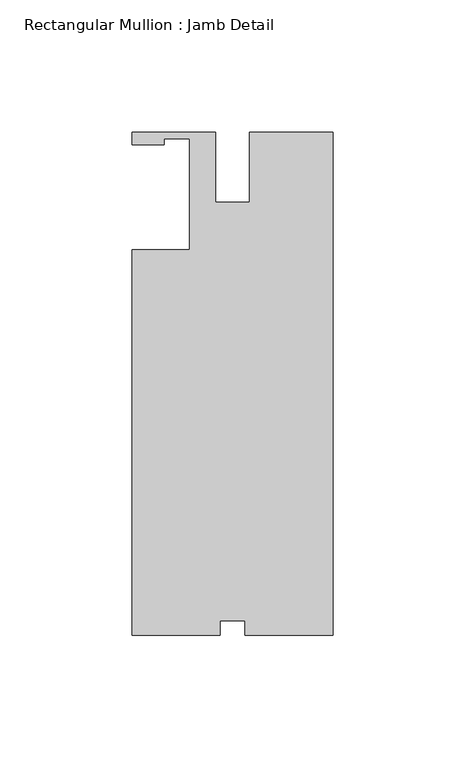
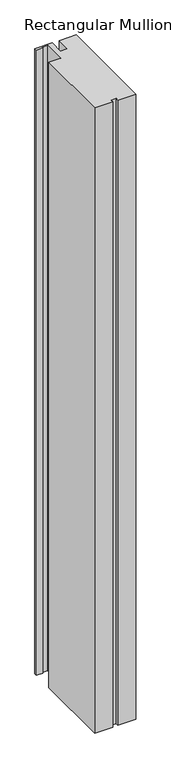
"""IFC4 building model written with IfcOpenShell, lengths in millimetres: member geometry, Rectangular Mullion : Jamb Detail."""

from ifc_helpers import new_model, si_unit, frame, origin, place, context, project, spatial, polyline, outline, extrude, source, transform, mapped, element, save


def rectangular_mullion_jamb_detail_44a46c3c(model_context):
    return source(origin(), model_context, "Body", "SweptSolid", [
        extrude(outline(polyline([(0.0, 25.4), (0.0, -165.1), (-33.3248, -165.1), (-33.3248, -159.5882), (-42.8752, -159.5882), (-42.8752, -165.1), (-76.2, -165.1), (-76.2, -19.05), (-54.3306, -19.05), (-54.3306, 22.86), (-64.1096, 22.86), (-64.1096, 20.5232), (-76.2, 20.5232), (-76.2, 25.4), (-44.45, 25.4), (-44.45, -1.1731625), (-31.75, -1.1731625), (-31.75, 25.4), (0.0, 25.4)])), frame((0.0, 0.0, -1219.2), z_axis=(0.0, 0.0, 1.0), x_axis=(1.0, 0.0, 0.0)), (0.0, 0.0, 1.0), 1219.2),
    ])


if __name__ == "__main__":
    model = new_model("IFC4")
    model_context = context("Model", 3, world=origin())
    ifc_project = project(units=[si_unit("LENGTHUNIT", "METRE", prefix="MILLI")], contexts=[model_context])
    site = spatial("IfcSite", under=ifc_project)
    building = spatial("IfcBuilding", under=site)
    placement = place(None, origin())
    rectangular_mullion_jamb_detail_shape = rectangular_mullion_jamb_detail_44a46c3c(model_context)
    element("IfcMember", 1, ObjectType="Rectangular Mullion : Jamb Detail", at=placement, inside=building, context=model_context, shape_type="MappedRepresentation", body=[
        mapped(rectangular_mullion_jamb_detail_shape, transform((0.0, 0.0, 0.0), x_axis=(1.0, 0.0, 0.0), y_axis=(0.0, 1.0, 0.0), z_axis=(0.0, 0.0, 1.0))),
    ])
    save(model, "model.ifc")
